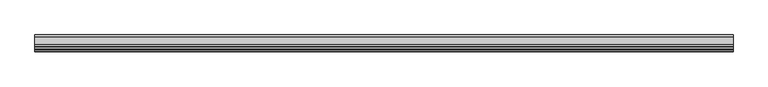
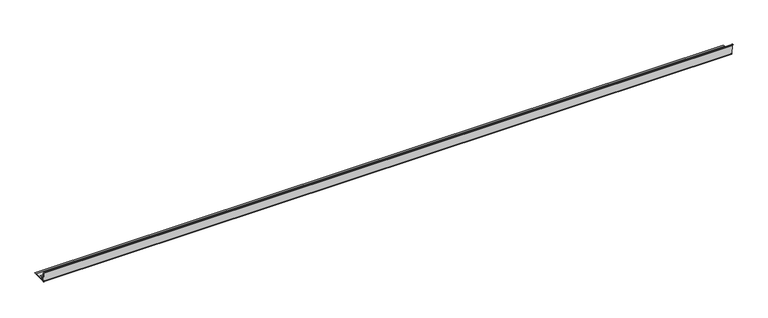
"""IFC4 building model written with IfcOpenShell, lengths in millimetres: proxy geometry."""

from ifc_helpers import new_model, si_unit, point, frame, frame_2d, origin, place, context, project, spatial, polyline, circle_curve, trimmed, segment, composite_curve, outline, extrude, source, transform, mapped, element, save


def specialty_equipment_836a8167(model_context):
    return source(origin(), model_context, "Body", "SweptSolid", [
        extrude(outline(composite_curve([segment(trimmed(circle_curve(frame_2d((-25.5362827, 62.1238314)), 1.2192), [point((-26.3983873, 61.2617268))], [point((-24.6741782, 62.985936))], False, "CARTESIAN"), True, "CONTINUOUS"), segment(polyline([(-24.6741782, 62.985936), (-14.2802761, 52.5920339), (-12.6214002, 5.0880448)]), True, "CONTINUOUS"), segment(trimmed(circle_curve(frame_2d((-11.8090953, 5.1164111)), 0.8128), [point((-12.6214002, 5.0880448))], [point((-11.8090953, 4.3036111))], True, "CARTESIAN"), True, "CONTINUOUS"), segment(polyline([(-11.8090953, 4.3036111), (0.0785998, 4.3036111), (0.0785998, 18.9961357)]), True, "CONTINUOUS"), segment(trimmed(circle_curve(frame_2d((1.3485823, 18.9894669)), 1.27), [point((0.0785998, 18.9961357))], [point((1.3485823, 20.2594669))], False, "CARTESIAN"), True, "CONTINUOUS"), segment(polyline([(1.3485823, 20.2594669), (11.4323823, 20.2594669), (11.4323823, 18.9894669), (1.9835823, 18.9894669)]), True, "CONTINUOUS"), segment(trimmed(circle_curve(frame_2d((1.9835823, 18.3544669)), 0.635), [point((1.9835823, 18.9894669))], [point((1.3485998, 18.3591825))], True, "CARTESIAN"), True, "CONTINUOUS"), segment(polyline([(1.3485998, 18.3591825), (1.3485998, 6.7959861)]), True, "CONTINUOUS"), segment(trimmed(circle_curve(frame_2d((1.9835998, 6.7959861)), 0.635), [point((1.3485998, 6.7959861))], [point((1.9835998, 6.1609861))], True, "CARTESIAN"), True, "CONTINUOUS"), segment(polyline([(1.9835998, 6.1609861), (50.8785998, 6.1609861), (50.8785998, 4.3036111), (63.2135369, 4.3036111), (63.2135369, 3.4908111), (1.3668443, 3.4908111), (1.3668443, 1.8652111), (-13.378919, 1.8652111)]), True, "CONTINUOUS"), segment(trimmed(circle_curve(frame_2d((-13.378919, 3.4908111)), 1.6256), [point((-13.378919, 1.8652111))], [point((-15.0035287, 3.4340785))], False, "CARTESIAN"), True, "CONTINUOUS"), segment(polyline([(-15.0035287, 3.4340785), (-16.6836693, 51.5470088), (-26.3983873, 61.2617268)]), True, "CONTINUOUS")], self_intersect=False)), frame((0.0, 0.0, 0.0), z_axis=(1.0, 0.0, 0.0), x_axis=(0.0, 1.0, 0.0)), (0.0, 0.0, 1.0), 3682.9954314),
    ])


if __name__ == "__main__":
    model = new_model("IFC4")
    model_context = context("Model", 3, world=origin())
    ifc_project = project(units=[si_unit("LENGTHUNIT", "METRE", prefix="MILLI")], contexts=[model_context])
    site = spatial("IfcSite", under=ifc_project)
    building = spatial("IfcBuilding", under=site)
    placement = place(None, origin())
    specialty_equipment_shape = specialty_equipment_836a8167(model_context)
    element("IfcBuildingElementProxy", 1, Name="Specialty Equipment", at=placement, inside=building, context=model_context, shape_type="MappedRepresentation", body=[
        mapped(specialty_equipment_shape, transform((0.0, 0.0, 0.0), x_axis=(1.0, 0.0, 0.0), y_axis=(0.0, 1.0, 0.0), z_axis=(0.0, 0.0, 1.0))),
    ])
    save(model, "model.ifc")
